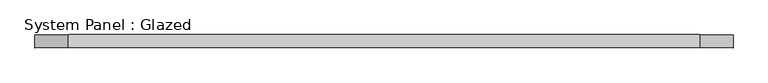
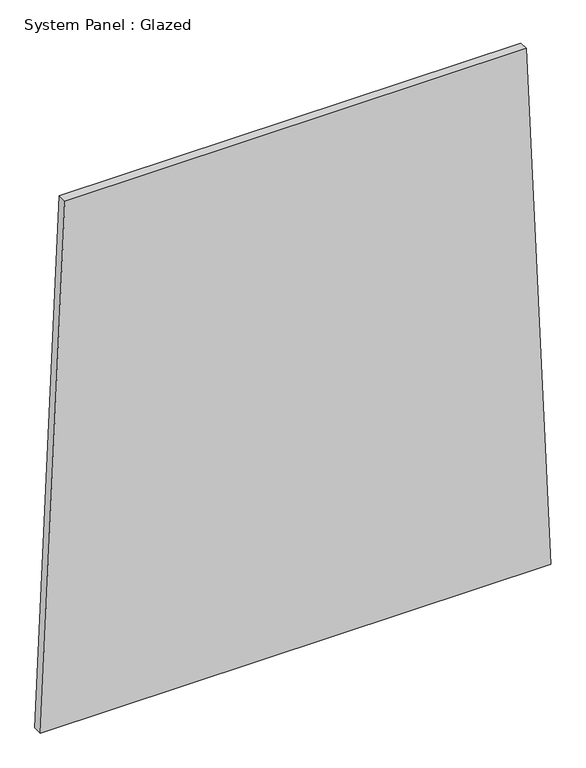
"""IFC4 building model written with IfcOpenShell, lengths in millimetres: plate geometry, System Panel : Glazed."""

from ifc_helpers import new_model, si_unit, frame, origin, place, context, project, spatial, polyline, outline, extrude, source, transform, mapped, element, save


def system_panel_glazed_b7616f9c(model_context):
    return source(origin(), model_context, "Body", "SweptSolid", [
        extrude(outline(polyline([(0.0, -667.6115568), (0.0, 667.6115568), (1448.5405476, 603.6723731), (1448.540597, -603.6653168), (0.0, -667.6115568)])), frame((0.0, -49.5, 0.0), z_axis=(0.0, 1.0, 0.0), x_axis=(0.0, 0.0, 1.0)), (0.0, 0.0, 1.0), 25.0),
    ])


if __name__ == "__main__":
    model = new_model("IFC4")
    model_context = context("Model", 3, world=origin())
    ifc_project = project(units=[si_unit("LENGTHUNIT", "METRE", prefix="MILLI")], contexts=[model_context])
    site = spatial("IfcSite", under=ifc_project)
    building = spatial("IfcBuilding", under=site)
    placement = place(None, origin())
    system_panel_glazed_shape = system_panel_glazed_b7616f9c(model_context)
    element("IfcPlate", 1, ObjectType="System Panel : Glazed", at=placement, inside=building, context=model_context, shape_type="MappedRepresentation", body=[
        mapped(system_panel_glazed_shape, transform((0.0, 0.0, 0.0), x_axis=(1.0, 0.0, 0.0), y_axis=(0.0, 1.0, 0.0), z_axis=(0.0, 0.0, 1.0))),
    ])
    save(model, "model.ifc")
